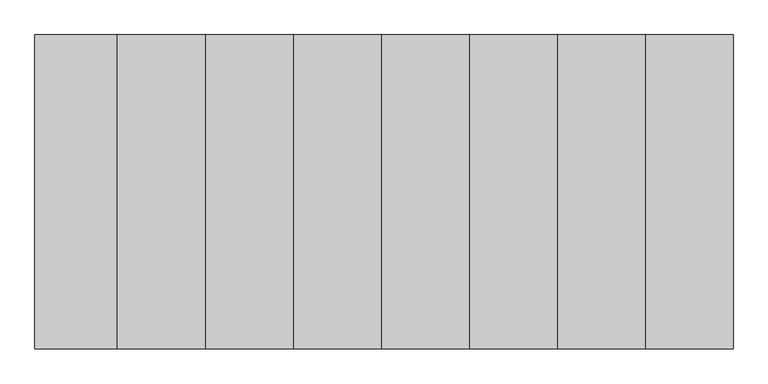
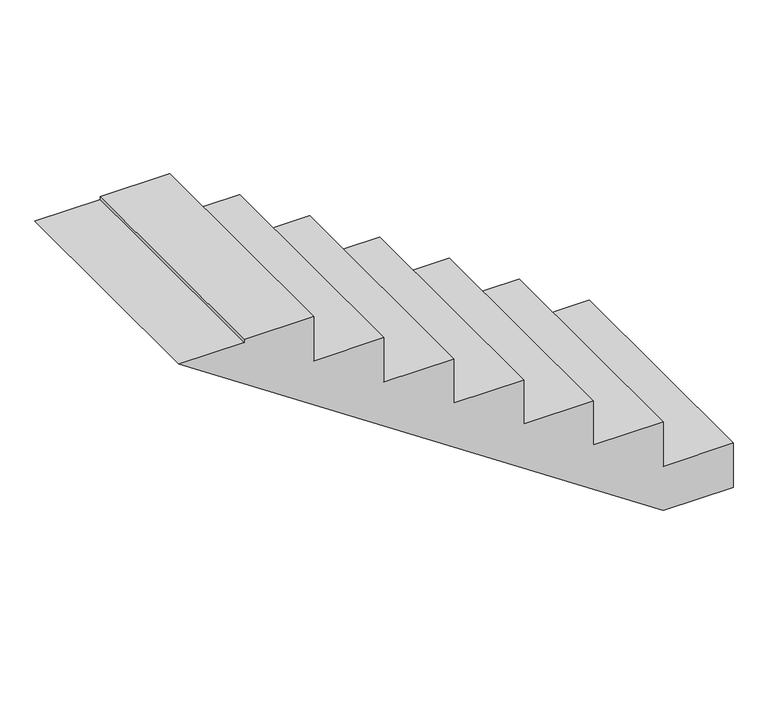
"""IFC4 building model written with IfcOpenShell, lengths in millimetres: stair geometry."""

from ifc_helpers import new_model, si_unit, frame, origin, place, context, project, spatial, polyline, outline, extrude, source, transform, mapped, element, save


def stair_df3b35e6(model_context):
    return source(origin(), model_context, "Body", "SweptSolid", [
        extrude(outline(polyline([(4312.5, 3714.1127713), (4312.5, 3434.1127713), (4300.0, 3434.1127713), (4300.0, 3172.7794379), (3000.0, 5114.1127713), (3000.0, 5394.1127713), (3187.5, 5394.1127713), (3187.5, 5114.1127713), (3375.0, 5114.1127713), (3375.0, 4834.1127713), (3562.5, 4834.1127713), (3562.5, 4554.1127713), (3750.0, 4554.1127713), (3750.0, 4274.1127713), (3937.5, 4274.1127713), (3937.5, 3994.1127713), (4125.0, 3994.1127713), (4125.0, 3714.1127713), (4312.5, 3714.1127713)])), frame((0.0, 0.0, 0.0), z_axis=(0.0, 1.0, 0.0), x_axis=(0.0, 0.0, 1.0)), (0.0, 0.0, 1.0), 1000.0),
    ])


if __name__ == "__main__":
    model = new_model("IFC4")
    model_context = context("Model", 3, world=origin())
    ifc_project = project(units=[si_unit("LENGTHUNIT", "METRE", prefix="MILLI")], contexts=[model_context])
    site = spatial("IfcSite", under=ifc_project)
    building = spatial("IfcBuilding", under=site)
    placement = place(None, origin())
    stair_shape = stair_df3b35e6(model_context)
    element("IfcStair", 1, at=placement, inside=building, context=model_context, shape_type="MappedRepresentation", body=[
        mapped(stair_shape, transform((0.0, 0.0, 0.0), x_axis=(1.0, 0.0, 0.0), y_axis=(0.0, 1.0, 0.0), z_axis=(0.0, 0.0, 1.0))),
    ])
    save(model, "model.ifc")
